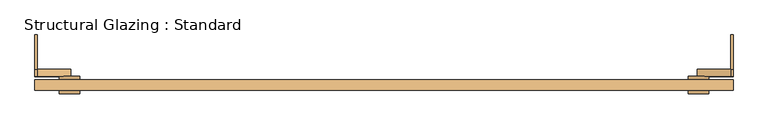
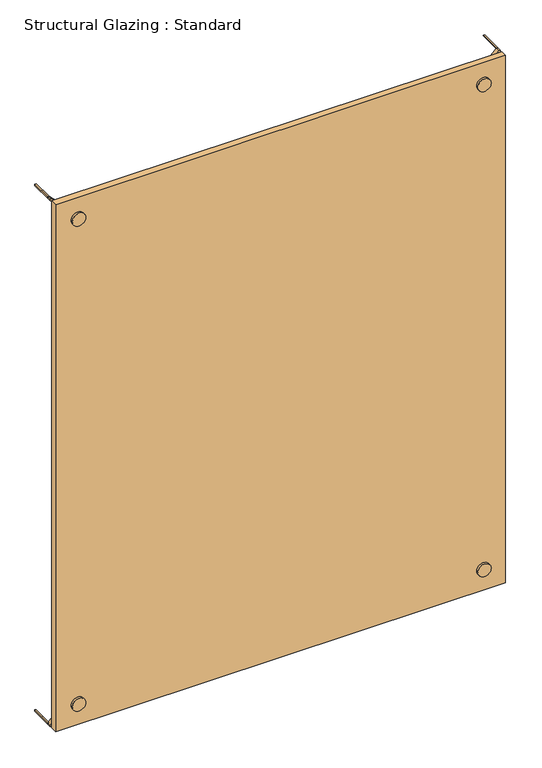
"""IFC4 building model written with IfcOpenShell, lengths in millimetres: door geometry, Structural Glazing : Standard."""

import ifcopenshell
import ifcopenshell.guid

model = None  # the IFC model being written
_history = None  # IfcOwnerHistory: only IFC2X3 demands one
_inside = {}  # id of a spatial element -> (the spatial element, [elements in it])
_under = {}  # id of a project, library or spatial element -> (it, [spatial elements below it])
_declared = {}  # id of a project -> (the project, [libraries it declares])
_typed = {}  # id of a type object -> (the type object, [elements of that type])
_made_of = {}  # id of a material, layer set ... -> (it, [elements and type objects made of it])


def new_model(schema):
    """Start an empty IFC model of exactly this schema.

    Asked for "IFC4X3", IfcOpenShell would pick the latest addendum, in which some entities
    have other attributes; the version numbers below select the first issue.
    IFC2X3 requires an IfcOwnerHistory on every rooted entity: one is made here for all.
    """
    global model, _history
    if schema == "IFC4X3":
        model = ifcopenshell.file(schema_version=(4, 3, 0, 0))
    else:
        model = ifcopenshell.file(schema=schema)
    _inside.clear()
    _under.clear()
    _declared.clear()
    _typed.clear()
    _made_of.clear()
    _history = None
    if model.schema == "IFC2X3":
        org = make("IfcOrganization", Name="unknown")
        user = make(
            "IfcPersonAndOrganization",
            ThePerson=make("IfcPerson", FamilyName="unknown"),
            TheOrganization=org,
        )
        app = make(
            "IfcApplication",
            ApplicationDeveloper=org,
            Version="unknown",
            ApplicationFullName="unknown",
            ApplicationIdentifier="unknown",
        )
        _history = make(
            "IfcOwnerHistory",
            OwningUser=user,
            OwningApplication=app,
            ChangeAction="ADDED",
            CreationDate=0,
        )
    return model


def make(cls, **values):
    """One entity of the class cls with the attributes given. An attribute that is None is left unset."""
    return model.create_entity(
        cls, **{name: value for name, value in values.items() if value is not None}
    )


def rooted(cls, **values):
    """An entity with a GlobalId (a new one), such as an element, a storey or a relation."""
    return make(cls, GlobalId=ifcopenshell.guid.new(), OwnerHistory=_history, **values)


def si_unit(unit_type, name, prefix=None):
    """IfcSIUnit, for example si_unit("LENGTHUNIT", "METRE", prefix="MILLI")."""
    return make("IfcSIUnit", UnitType=unit_type, Prefix=prefix, Name=name)


def assignment(units):
    """IfcUnitAssignment: the units of a project."""
    return None if units is None else make("IfcUnitAssignment", Units=units)


def point(xyz):
    """IfcCartesianPoint."""
    return None if xyz is None else make("IfcCartesianPoint", Coordinates=xyz)


def direction(xyz):
    """IfcDirection."""
    return None if xyz is None else make("IfcDirection", DirectionRatios=xyz)


def frame(location, z_axis=None, x_axis=None):
    """IfcAxis2Placement3D, a coordinate frame: its origin and axes. An axis left out is left unset."""
    return make(
        "IfcAxis2Placement3D",
        Location=point(location),
        Axis=direction(z_axis),
        RefDirection=direction(x_axis),
    )


def frame_2d(location, x_axis=None):
    """IfcAxis2Placement2D, a coordinate frame in the plane: its origin and x axis."""
    return make(
        "IfcAxis2Placement2D", Location=point(location), RefDirection=direction(x_axis)
    )


def origin():
    """The frame at (0, 0, 0) with its axes left unset."""
    return frame((0.0, 0.0, 0.0))


def origin_with_axes():
    """The frame at (0, 0, 0) with the z axis (0, 0, 1) and the x axis (1, 0, 0) written out."""
    return frame((0.0, 0.0, 0.0), z_axis=(0.0, 0.0, 1.0), x_axis=(1.0, 0.0, 0.0))


def place(relative_to, where):
    """IfcLocalPlacement: puts the frame where relative to a parent placement (None: the world)."""
    return make(
        "IfcLocalPlacement", PlacementRelTo=relative_to, RelativePlacement=where
    )


def context(
    kind, dimensions, precision=None, world=None, true_north=None, identifier=None
):
    """IfcGeometricRepresentationContext, for example the 3D "Model" context."""
    return make(
        "IfcGeometricRepresentationContext",
        ContextIdentifier=identifier,
        ContextType=kind,
        CoordinateSpaceDimension=dimensions,
        Precision=precision,
        WorldCoordinateSystem=world,
        TrueNorth=true_north,
    )


def project(units=None, contexts=None):
    """IfcProject with its units and contexts."""
    return rooted(
        "IfcProject",
        Name="project",
        RepresentationContexts=contexts,
        UnitsInContext=assignment(units),
    )


def spatial(cls, under=None, at=None, **own):
    """A site, building, storey or space (cls), placed at a placement, below another one or the project."""
    s = rooted(cls, ObjectPlacement=at, **own)
    if under is not None:
        _under.setdefault(under.id(), (under, []))[1].append(s)
    return s


def polyline(points):
    """IfcPolyline through the points."""
    return make("IfcPolyline", Points=[point(p) for p in points])


def circle_curve(where, radius):
    """IfcCircle in the frame where."""
    return make("IfcCircle", Position=where, Radius=radius)


def trimmed(basis, trim1, trim2, sense, master):
    """IfcTrimmedCurve: the piece of a basis curve between two trims."""
    return make(
        "IfcTrimmedCurve",
        BasisCurve=basis,
        Trim1=trim1,
        Trim2=trim2,
        SenseAgreement=sense,
        MasterRepresentation=master,
    )


def segment(curve, same_sense, transition):
    """IfcCompositeCurveSegment."""
    return make(
        "IfcCompositeCurveSegment",
        Transition=transition,
        SameSense=same_sense,
        ParentCurve=curve,
    )


def composite_curve(segments, self_intersect=None):
    """IfcCompositeCurve: segments joined end to end."""
    return make("IfcCompositeCurve", Segments=segments, SelfIntersect=self_intersect)


def outline(outer, holes=None, kind="AREA"):
    """IfcArbitraryClosedProfileDef: a profile drawn as a closed curve; with holes, ...WithVoids."""
    if holes is None:
        return make("IfcArbitraryClosedProfileDef", ProfileType=kind, OuterCurve=outer)
    return make(
        "IfcArbitraryProfileDefWithVoids",
        ProfileType=kind,
        OuterCurve=outer,
        InnerCurves=holes,
    )


def extrude(swept, where, along, depth):
    """IfcExtrudedAreaSolid: the profile swept, set in the frame where, extruded along a direction by depth."""
    return make(
        "IfcExtrudedAreaSolid",
        SweptArea=swept,
        Position=where,
        ExtrudedDirection=direction(along),
        Depth=depth,
    )


def shape(context_of_items, identifier, shape_type, items):
    """IfcShapeRepresentation: the items that make up one representation, for example the "Body"."""
    return make(
        "IfcShapeRepresentation",
        ContextOfItems=context_of_items,
        RepresentationIdentifier=identifier,
        RepresentationType=shape_type,
        Items=items,
    )


def source(mapping_origin, context_of_items, identifier, shape_type, items):
    """IfcRepresentationMap: a shape defined once, which mapped items show again and again."""
    return make(
        "IfcRepresentationMap",
        MappingOrigin=mapping_origin,
        MappedRepresentation=shape(context_of_items, identifier, shape_type, items),
    )


def transform(
    local_origin,
    x_axis=None,
    y_axis=None,
    z_axis=None,
    scale=None,
    scale2=None,
    scale3=None,
    uniform=True,
):
    """IfcCartesianTransformationOperator3D, or its non-uniform kind. x_axis, y_axis, z_axis: its Axis1, 2, 3."""
    if uniform:
        return make(
            "IfcCartesianTransformationOperator3D",
            Axis1=direction(x_axis),
            Axis2=direction(y_axis),
            LocalOrigin=point(local_origin),
            Scale=scale,
            Axis3=direction(z_axis),
        )
    return make(
        "IfcCartesianTransformationOperator3DnonUniform",
        Axis1=direction(x_axis),
        Axis2=direction(y_axis),
        LocalOrigin=point(local_origin),
        Scale=scale,
        Axis3=direction(z_axis),
        Scale2=scale2,
        Scale3=scale3,
    )


def mapped(mapping_source, mapping_target):
    """IfcMappedItem: shows the shape of a source again, moved by a transform."""
    return make(
        "IfcMappedItem", MappingSource=mapping_source, MappingTarget=mapping_target
    )


def made_of(thing, what):
    """Note that an element or type object is made of a material, layer set ...; save() writes the relation."""
    if what is not None:
        _made_of.setdefault(what.id(), (what, []))[1].append(thing)
    return thing


def element(
    cls,
    number,
    at=None,
    inside=None,
    cuts=None,
    type_object=None,
    material=None,
    context=None,
    identifier="Body",
    shape_type=None,
    held_by="IfcProductDefinitionShape",
    body=None,
    shapes=None,
    **own,
):
    """One element of the class cls, such as IfcWall. Its Tag is "e" and its number.

    at: its placement. inside: the storey or other place that contains it. cuts: it is an
    opening in that element (IfcRelVoidsElement). A single representation is given by context,
    identifier, shape_type and body (its items); several are given by shapes. held_by: the class
    of the entity that holds the representations. save() writes the other relations.
    """
    e = rooted(cls, Tag="e%d" % number, ObjectPlacement=at, **own)
    if body is not None:
        shapes = [shape(context, identifier, shape_type, body)]
    if shapes is not None:
        e.Representation = make(held_by, Representations=shapes)
    if inside is not None:
        _inside.setdefault(inside.id(), (inside, []))[1].append(e)
    if cuts is not None:
        rooted(
            "IfcRelVoidsElement", RelatingBuildingElement=cuts, RelatedOpeningElement=e
        )
    if type_object is not None:
        _typed.setdefault(type_object.id(), (type_object, []))[1].append(e)
    return made_of(e, material)


def aggregate(whole, parts):
    """IfcRelAggregates: a whole, such as a stair, and the parts it consists of."""
    return rooted("IfcRelAggregates", RelatingObject=whole, RelatedObjects=parts)


def save(model, path):
    """Write the relations noted so far, then the file.

    IfcRelAggregates (storeys below a building ...), IfcRelContainedInSpatialStructure (elements
    in a storey), IfcRelDefinesByType, IfcRelAssociatesMaterial and IfcRelDeclares: one each for
    every whole, place, type object, material and project.
    """
    for whole, parts in _under.values():
        aggregate(whole, parts)
    for where, things in _inside.values():
        rooted(
            "IfcRelContainedInSpatialStructure",
            RelatedElements=things,
            RelatingStructure=where,
        )
    for kind, things in _typed.values():
        rooted("IfcRelDefinesByType", RelatedObjects=things, RelatingType=kind)
    for what, things in _made_of.values():
        rooted("IfcRelAssociatesMaterial", RelatedObjects=things, RelatingMaterial=what)
    for by, libraries in _declared.values():
        rooted("IfcRelDeclares", RelatingContext=by, RelatedDefinitions=libraries)
    model.write(path)


def structural_glazing_standard_8659a14f(model_context):
    return source(origin(), model_context, "Body", "SweptSolid", [
        extrude(outline(composite_curve([segment(trimmed(circle_curve(frame_2d((100.0, 910.0)), 30.0), [point((100.0, 880.0))], [point((100.0, 940.0))], False, "CARTESIAN"), True, "CONTINUOUS"), segment(trimmed(circle_curve(frame_2d((100.0, 910.0)), 30.0), [point((100.0, 940.0))], [point((100.0, 880.0))], False, "CARTESIAN"), True, "CONTINUOUS")], self_intersect=False)), frame((0.0, 28.9615014, 0.0), z_axis=(0.0, 1.0, 0.0), x_axis=(0.0, 0.0, 1.0)), (0.0, 0.0, 1.0), 10.0),
        extrude(outline(composite_curve([segment(trimmed(circle_curve(frame_2d((100.0, -910.0)), 30.0), [point((100.0, -940.0))], [point((100.0, -880.0))], False, "CARTESIAN"), True, "CONTINUOUS"), segment(trimmed(circle_curve(frame_2d((100.0, -910.0)), 30.0), [point((100.0, -880.0))], [point((100.0, -940.0))], False, "CARTESIAN"), True, "CONTINUOUS")], self_intersect=False)), frame((0.0, 28.9615014, 0.0), z_axis=(0.0, 1.0, 0.0), x_axis=(0.0, 0.0, 1.0)), (0.0, 0.0, 1.0), 10.0),
        extrude(outline(composite_curve([segment(trimmed(circle_curve(frame_2d((2400.0, -910.0)), 30.0), [point((2400.0, -940.0))], [point((2400.0, -880.0))], False, "CARTESIAN"), True, "CONTINUOUS"), segment(trimmed(circle_curve(frame_2d((2400.0, -910.0)), 30.0), [point((2400.0, -880.0))], [point((2400.0, -940.0))], False, "CARTESIAN"), True, "CONTINUOUS")], self_intersect=False)), frame((0.0, 28.9615014, 0.0), z_axis=(0.0, 1.0, 0.0), x_axis=(0.0, 0.0, 1.0)), (0.0, 0.0, 1.0), 10.0),
        extrude(outline(composite_curve([segment(trimmed(circle_curve(frame_2d((2400.0, 910.0)), 30.0), [point((2400.0, 880.0))], [point((2400.0, 940.0))], False, "CARTESIAN"), True, "CONTINUOUS"), segment(trimmed(circle_curve(frame_2d((2400.0, 910.0)), 30.0), [point((2400.0, 940.0))], [point((2400.0, 880.0))], False, "CARTESIAN"), True, "CONTINUOUS")], self_intersect=False)), frame((0.0, 28.9615014, 0.0), z_axis=(0.0, 1.0, 0.0), x_axis=(0.0, 0.0, 1.0)), (0.0, 0.0, 1.0), 10.0),
        extrude(outline(composite_curve([segment(trimmed(circle_curve(frame_2d((100.0, -910.0)), 30.0), [point((100.0, -940.0))], [point((100.0, -880.0))], False, "CARTESIAN"), True, "CONTINUOUS"), segment(trimmed(circle_curve(frame_2d((100.0, -910.0)), 30.0), [point((100.0, -880.0))], [point((100.0, -940.0))], False, "CARTESIAN"), True, "CONTINUOUS")], self_intersect=False)), frame((0.0, -11.0384986, 0.0), z_axis=(0.0, 1.0, 0.0), x_axis=(0.0, 0.0, 1.0)), (0.0, 0.0, 1.0), 10.0),
        extrude(outline(composite_curve([segment(trimmed(circle_curve(frame_2d((100.0, 910.0)), 30.0), [point((100.0, 880.0))], [point((100.0, 940.0))], False, "CARTESIAN"), True, "CONTINUOUS"), segment(trimmed(circle_curve(frame_2d((100.0, 910.0)), 30.0), [point((100.0, 940.0))], [point((100.0, 880.0))], False, "CARTESIAN"), True, "CONTINUOUS")], self_intersect=False)), frame((0.0, -11.0384986, 0.0), z_axis=(0.0, 1.0, 0.0), x_axis=(0.0, 0.0, 1.0)), (0.0, 0.0, 1.0), 10.0),
        extrude(outline(composite_curve([segment(trimmed(circle_curve(frame_2d((2400.0, -910.0)), 30.0), [point((2400.0, -940.0))], [point((2400.0, -880.0))], False, "CARTESIAN"), True, "CONTINUOUS"), segment(trimmed(circle_curve(frame_2d((2400.0, -910.0)), 30.0), [point((2400.0, -880.0))], [point((2400.0, -940.0))], False, "CARTESIAN"), True, "CONTINUOUS")], self_intersect=False)), frame((0.0, -11.0384986, 0.0), z_axis=(0.0, 1.0, 0.0), x_axis=(0.0, 0.0, 1.0)), (0.0, 0.0, 1.0), 10.0),
        extrude(outline(composite_curve([segment(trimmed(circle_curve(frame_2d((2400.0, 910.0)), 30.0), [point((2400.0, 880.0))], [point((2400.0, 940.0))], False, "CARTESIAN"), True, "CONTINUOUS"), segment(trimmed(circle_curve(frame_2d((2400.0, 910.0)), 30.0), [point((2400.0, 940.0))], [point((2400.0, 880.0))], False, "CARTESIAN"), True, "CONTINUOUS")], self_intersect=False)), frame((0.0, -11.0384986, 0.0), z_axis=(0.0, 1.0, 0.0), x_axis=(0.0, 0.0, 1.0)), (0.0, 0.0, 1.0), 10.0),
        extrude(outline(polyline([(1010.0, 28.9615014), (1010.0, -1.0384986), (-1010.0, -1.0384986), (-1010.0, 28.9615014), (1010.0, 28.9615014)])), origin_with_axes(), (0.0, 0.0, 1.0), 2500.0),
        extrude(outline(composite_curve([segment(polyline([(0.0, 1010.0), (7.0710678, 1010.0)]), True, "CONTINUOUS"), segment(trimmed(circle_curve(frame_2d((0.0, 1010.0)), 7.0710678), [point((7.0710678, 1010.0))], [point((0.0, 1002.9289322))], False, "CARTESIAN"), True, "CONTINUOUS"), segment(polyline([(0.0, 1002.9289322), (0.0, 1010.0)]), True, "CONTINUOUS")], self_intersect=False)), frame((0.0, 58.9615014, 0.0), z_axis=(0.0, 1.0, 0.0), x_axis=(0.0, 0.0, 1.0)), (0.0, 0.0, 1.0), 100.0),
        extrude(outline(composite_curve([segment(polyline([(0.0, -1010.0), (0.0, -1002.9289322)]), True, "CONTINUOUS"), segment(trimmed(circle_curve(frame_2d((0.0, -1010.0)), 7.0710678), [point((0.0, -1002.9289322))], [point((7.0710678, -1010.0))], False, "CARTESIAN"), True, "CONTINUOUS"), segment(polyline([(7.0710678, -1010.0), (0.0, -1010.0)]), True, "CONTINUOUS")], self_intersect=False)), frame((0.0, 58.9615014, 0.0), z_axis=(0.0, 1.0, 0.0), x_axis=(0.0, 0.0, 1.0)), (0.0, 0.0, 1.0), 100.0),
        extrude(outline(composite_curve([segment(polyline([(2500.0, 1010.0), (2500.0, 1002.9289322)]), True, "CONTINUOUS"), segment(trimmed(circle_curve(frame_2d((2500.0, 1010.0)), 7.0710678), [point((2500.0, 1002.9289322))], [point((2492.9289322, 1010.0))], False, "CARTESIAN"), True, "CONTINUOUS"), segment(polyline([(2492.9289322, 1010.0), (2500.0, 1010.0)]), True, "CONTINUOUS")], self_intersect=False)), frame((0.0, 58.9615014, 0.0), z_axis=(0.0, 1.0, 0.0), x_axis=(0.0, 0.0, 1.0)), (0.0, 0.0, 1.0), 100.0),
        extrude(outline(composite_curve([segment(polyline([(2500.0, -1002.9289322), (2500.0, -1010.0), (2492.9289322, -1010.0)]), True, "CONTINUOUS"), segment(trimmed(circle_curve(frame_2d((2500.0, -1010.0)), 7.0710678), [point((2492.9289322, -1010.0))], [point((2500.0, -1002.9289322))], False, "CARTESIAN"), True, "CONTINUOUS")], self_intersect=False)), frame((0.0, 58.9615014, 0.0), z_axis=(0.0, 1.0, 0.0), x_axis=(0.0, 0.0, 1.0)), (0.0, 0.0, 1.0), 100.0),
        extrude(outline(polyline([(103.5355339, 913.5355339), (96.4644661, 906.4644661), (0.0, 1002.9289322), (0.0, 1010.0), (7.0710678, 1010.0), (103.5355339, 913.5355339)])), frame((0.0, 38.9615014, 0.0), z_axis=(0.0, 1.0, 0.0), x_axis=(0.0, 0.0, 1.0)), (0.0, 0.0, 1.0), 20.0),
        extrude(outline(polyline([(0.0, -1010.0), (0.0, -1002.9289322), (96.4644661, -906.4644661), (103.5355339, -913.5355339), (7.0710678, -1010.0), (0.0, -1010.0)])), frame((0.0, 38.9615014, 0.0), z_axis=(0.0, 1.0, 0.0), x_axis=(0.0, 0.0, 1.0)), (0.0, 0.0, 1.0), 20.0),
        extrude(outline(polyline([(2500.0, -1002.9289322), (2500.0, -1010.0), (2492.9289322, -1010.0), (2396.4644661, -913.5355339), (2403.5355339, -906.4644661), (2500.0, -1002.9289322)])), frame((0.0, 38.9615014, 0.0), z_axis=(0.0, 1.0, 0.0), x_axis=(0.0, 0.0, 1.0)), (0.0, 0.0, 1.0), 20.0),
        extrude(outline(polyline([(2500.0, 1002.9289322), (2403.5355339, 906.4644661), (2396.4644661, 913.5355339), (2492.9289322, 1010.0), (2500.0, 1010.0), (2500.0, 1002.9289322)])), frame((0.0, 38.9615014, 0.0), z_axis=(0.0, 1.0, 0.0), x_axis=(0.0, 0.0, 1.0)), (0.0, 0.0, 1.0), 20.0),
    ])


if __name__ == "__main__":
    model = new_model("IFC4")
    model_context = context("Model", 3, world=origin())
    ifc_project = project(units=[si_unit("LENGTHUNIT", "METRE", prefix="MILLI")], contexts=[model_context])
    site = spatial("IfcSite", under=ifc_project)
    building = spatial("IfcBuilding", under=site)
    placement = place(None, origin())
    structural_glazing_standard_shape = structural_glazing_standard_8659a14f(model_context)
    element("IfcDoor", 1, ObjectType="Structural Glazing : Standard", at=placement, inside=building, context=model_context, shape_type="MappedRepresentation", body=[
        mapped(structural_glazing_standard_shape, transform((0.0, 0.0, 0.0), x_axis=(1.0, 0.0, 0.0), y_axis=(0.0, 1.0, 0.0), z_axis=(0.0, 0.0, 1.0))),
    ])
    save(model, "model.ifc")
